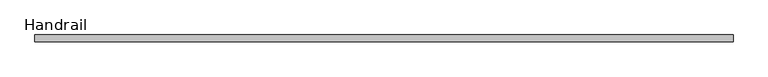
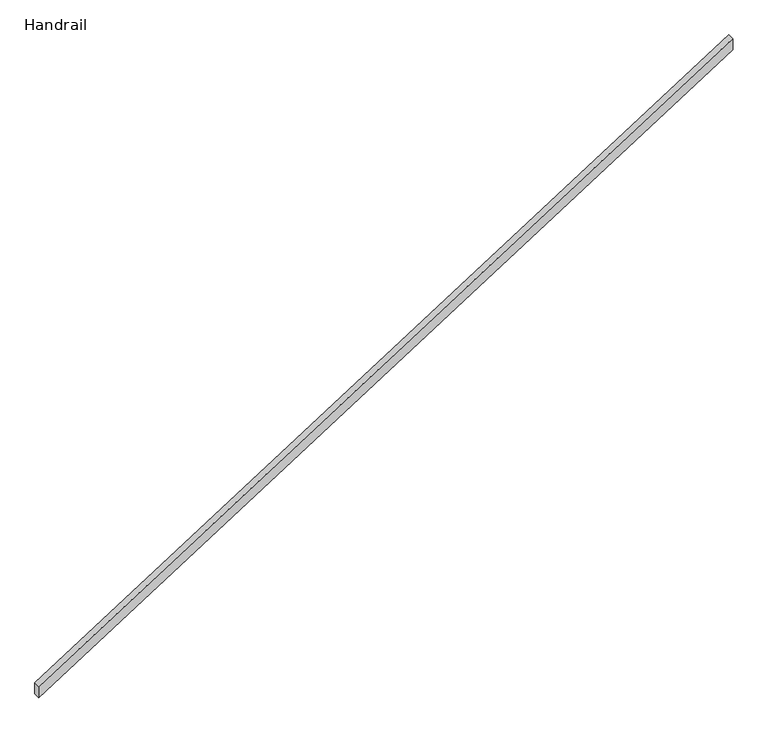
"""IFC4 building model written with IfcOpenShell, lengths in millimetres: railing geometry, Handrail."""

from ifc_helpers import new_model, si_unit, frame, origin, place, context, project, spatial, polyline, outline, extrude, source, transform, mapped, element, save


def handrail_eee59572(model_context):
    return source(origin(), model_context, "Body", "SweptSolid", [
        extrude(outline(polyline([(1092.2, 15494.1910965), (1001.8794139, 15494.1910965), (4380.0794139, 20802.7910965), (4470.4, 20802.7910965), (1092.2, 15494.1910965)])), frame((0.0, -56136.1204906, 0.0), z_axis=(0.0, 1.0, 0.0), x_axis=(0.0, 0.0, 1.0)), (0.0, 0.0, 1.0), 50.8),
    ])


if __name__ == "__main__":
    model = new_model("IFC4")
    model_context = context("Model", 3, world=origin())
    ifc_project = project(units=[si_unit("LENGTHUNIT", "METRE", prefix="MILLI")], contexts=[model_context])
    site = spatial("IfcSite", under=ifc_project)
    building = spatial("IfcBuilding", under=site)
    placement = place(None, origin())
    handrail_shape = handrail_eee59572(model_context)
    element("IfcRailing", 1, ObjectType="Handrail", at=placement, inside=building, context=model_context, shape_type="MappedRepresentation", body=[
        mapped(handrail_shape, transform((0.0, 0.0, 0.0), x_axis=(1.0, 0.0, 0.0), y_axis=(0.0, 1.0, 0.0), z_axis=(0.0, 0.0, 1.0))),
    ])
    save(model, "model.ifc")
